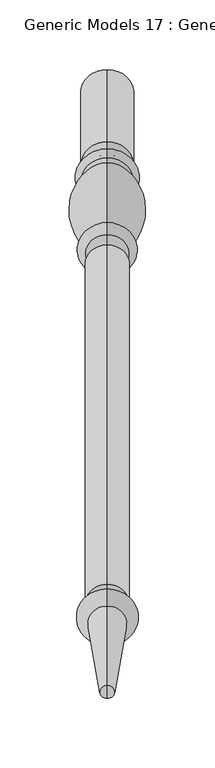
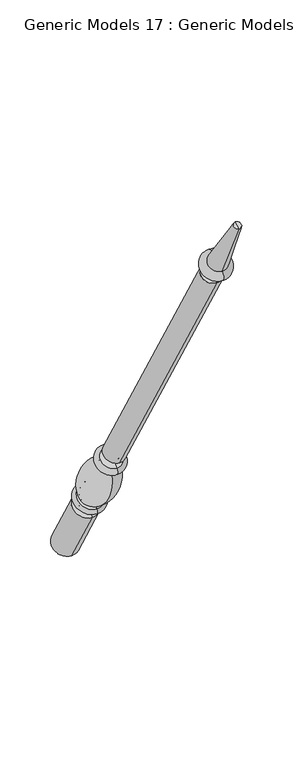
"""IFC4 building model written with IfcOpenShell, lengths in millimetres: proxy geometry, Generic Models 17 : Generic Models 2."""

from ifc_helpers import new_model, si_unit, point, frame, origin, place, context, project, spatial, polyline, circle_curve, ellipse_curve, trimmed, source, transform, mapped, element, save
from ifc_brep_helpers import plane_surface, cylinder_surface, revolved_surface, advanced_brep


def generic_models_17_generic_models_2_e23a2e77(model_context):
    return source(origin(), model_context, "Body", "AdvancedBrep", [
        advanced_brep(
        [(-451.2684498, 1861.1601077, 610.5814746), (-451.2684498, 1828.1645398, 591.5314746), (-451.2684498, 1880.0576333, 501.65), (-451.2684498, 1913.0532012, 520.7), (-451.2684498, 1853.6896456, 623.5206944), (-451.2684498, 1820.6940777, 604.4706944), (-451.2684498, 1849.5864045, 630.6277165), (-451.2684498, 1816.5908366, 611.5777165), (-451.2684498, 1845.9182158, 636.9812058), (-451.2684498, 1812.9226479, 617.9312058), (-451.2684498, 1801.1569262, 703.055156), (-451.2684498, 1778.0815733, 689.7325947), (-451.2684498, 1799.8610191, 710.4046105), (-451.2684498, 1772.3647125, 694.5296105), (-451.2684498, 1794.1590629, 720.2806883), (-451.2684498, 1766.6627563, 704.4056883), (-451.2684498, 1786.7732215, 733.0733408), (-451.2684498, 1759.276915, 717.1983408), (-451.2684498, 1542.2982215, 1156.516462), (-451.2684498, 1514.801915, 1140.641462), (-451.2684498, 1537.2251467, 1153.5875209), (-451.2684498, 1519.8749898, 1143.5704031), (-451.2684498, 1531.1910418, 1164.0388972), (-451.2684498, 1513.8408848, 1154.0217794), (-451.2684498, 1534.7597609, 1166.0992981), (-451.2684498, 1510.2721658, 1151.9613785), (-451.2684498, 1526.5847892, 1180.2587644), (-451.2684498, 1502.0971941, 1166.1208448), (-451.2684498, 1469.4852742, 1261.8053229), (-451.2684498, 1460.0255603, 1256.3437545), (-451.2684498, 1464.7554173, 1259.0745387), (-451.2684498, 1896.5554173, 511.175)],
        [
            (0, 1, circle_curve(frame((-451.2684498, 1844.6623237, 601.0564746), z_axis=(0.0, 0.5000000000000062, -0.8660254037844352), x_axis=(0.0, -0.8660254037844352, -0.5000000000000062)), 19.05)),
            (1, 2),
            (2, 3, circle_curve(frame((-451.2684498, 1896.5554173, 511.175), z_axis=(0.0, -0.5000000000000062, 0.8660254037844352), x_axis=(0.0, -0.8660254037844352, -0.5000000000000062)), 19.05)),
            (3, 0),
            (1, 0, circle_curve(frame((-451.2684498, 1844.6623237, 601.0564746), z_axis=(0.0, 0.5000000000000062, -0.8660254037844352), x_axis=(0.0, -0.8660254037844352, -0.5000000000000062)), 19.05)),
            (3, 2, circle_curve(frame((-451.2684498, 1896.5554173, 511.175), z_axis=(0.0, -0.5000000000000062, 0.8660254037844352), x_axis=(0.0, -0.8660254037844352, -0.5000000000000062)), 19.05)),
            (4, 5, circle_curve(frame((-451.2684498, 1837.1918617, 613.9956944), z_axis=(0.0, 0.5000000000000062, -0.8660254037844352), x_axis=(0.0, -0.8660254037844352, -0.5000000000000062)), 19.05)),
            (5, 1, circle_curve(frame((-451.2684498, 1821.8102989, 596.4889985), z_axis=(-1.0, 0.0, 0.0), x_axis=(0.0, 0.8660254037844352, 0.5000000000000062)), 8.0593685)),
            (0, 4, circle_curve(frame((-451.2684498, 1860.0438865, 618.5631706), z_axis=(-1.0, 0.0, 0.0), x_axis=(0.0, -0.8660254037844352, -0.5000000000000062)), 8.0593685)),
            (5, 4, circle_curve(frame((-451.2684498, 1837.1918617, 613.9956944), z_axis=(0.0, 0.5000000000000062, -0.8660254037844352), x_axis=(0.0, -0.8660254037844352, -0.5000000000000062)), 19.05)),
            (6, 7, circle_curve(frame((-451.2684498, 1833.0886205, 621.1027165), z_axis=(0.0, 0.5000000000000062, -0.8660254037844352), x_axis=(0.0, -0.8660254037844352, -0.5000000000000062)), 19.05)),
            (7, 5, circle_curve(frame((-451.2684498, 1818.6424572, 608.0242055), z_axis=(1.0, 0.0, 0.0), x_axis=(0.0, 0.8660254037844352, 0.5000000000000062)), 4.1032411)),
            (4, 6, circle_curve(frame((-451.2684498, 1851.638025, 627.0742055), z_axis=(1.0, 0.0, 0.0), x_axis=(0.0, -0.8660254037844352, -0.5000000000000062)), 4.1032411)),
            (7, 6, circle_curve(frame((-451.2684498, 1833.0886205, 621.1027165), z_axis=(0.0, 0.5000000000000062, -0.8660254037844352), x_axis=(0.0, -0.8660254037844352, -0.5000000000000062)), 19.05)),
            (8, 9, circle_curve(frame((-451.2684498, 1829.4204318, 627.4562058), z_axis=(0.0, 0.5000000000000062, -0.8660254037844352), x_axis=(0.0, -0.8660254037844352, -0.5000000000000062)), 19.05)),
            (9, 7, circle_curve(frame((-451.2684498, 1813.3633086, 613.9499618), z_axis=(-1.0, 0.0, 0.0), x_axis=(0.0, 0.8660254037844352, 0.5000000000000062)), 4.0055568)),
            (6, 8, circle_curve(frame((-451.2684498, 1849.1457438, 634.6089605), z_axis=(-1.0, 0.0, 0.0), x_axis=(0.0, -0.8660254037844352, -0.5000000000000062)), 4.0055568)),
            (9, 8, circle_curve(frame((-451.2684498, 1829.4204318, 627.4562058), z_axis=(0.0, 0.5000000000000062, -0.8660254037844352), x_axis=(0.0, -0.8660254037844352, -0.5000000000000062)), 19.05)),
            (10, 11, circle_curve(frame((-451.2684498, 1789.6192497, 696.3938754), z_axis=(0.0, 0.5000000000000062, -0.8660254037844352), x_axis=(0.0, -0.8660254037844352, -0.5000000000000062)), 13.3225612)),
            (11, 9, circle_curve(frame((-451.2684498, 1854.1299968, 682.2806335), z_axis=(1.0, 0.0, 0.0), x_axis=(0.0, 0.8660254037844352, 0.5000000000000062)), 76.412659)),
            (8, 10, circle_curve(frame((-451.2684498, 1769.5863022, 633.4693086), z_axis=(1.0, 0.0, 0.0), x_axis=(0.0, -0.8660254037844352, -0.5000000000000062)), 76.412659)),
            (11, 10, circle_curve(frame((-451.2684498, 1789.6192497, 696.3938754), z_axis=(0.0, 0.5000000000000062, -0.8660254037844352), x_axis=(0.0, -0.8660254037844352, -0.5000000000000062)), 13.3225612)),
            (12, 13, circle_curve(frame((-451.2684498, 1786.1128658, 702.4671105), z_axis=(0.0, 0.5000000000000062, -0.8660254037844352), x_axis=(0.0, -0.8660254037844352, -0.5000000000000062)), 15.875)),
            (13, 11, circle_curve(frame((-451.2684498, 1773.4069828, 689.9666873), z_axis=(-1.0, 0.0, 0.0), x_axis=(0.0, 0.8660254037844352, 0.5000000000000062)), 4.6804482)),
            (10, 12, circle_curve(frame((-451.2684498, 1803.2914914, 707.2205164), z_axis=(-1.0, 0.0, 0.0), x_axis=(0.0, -0.8660254037844352, -0.5000000000000062)), 4.6804482)),
            (13, 12, circle_curve(frame((-451.2684498, 1786.1128658, 702.4671105), z_axis=(0.0, 0.5000000000000062, -0.8660254037844352), x_axis=(0.0, -0.8660254037844352, -0.5000000000000062)), 15.875)),
            (14, 15, circle_curve(frame((-451.2684498, 1780.4109096, 712.3431883), z_axis=(0.0, 0.5000000000000062, -0.8660254037844352), x_axis=(0.0, -0.8660254037844352, -0.5000000000000062)), 15.875)),
            (15, 13, circle_curve(frame((-451.2684498, 1769.5137344, 699.4676494), z_axis=(1.0, 0.0, 0.0), x_axis=(0.0, 0.8660254037844352, 0.5000000000000062)), 5.7019562)),
            (12, 14, circle_curve(frame((-451.2684498, 1797.010041, 715.3426494), z_axis=(1.0, 0.0, 0.0), x_axis=(0.0, -0.8660254037844352, -0.5000000000000062)), 5.7019562)),
            (15, 14, circle_curve(frame((-451.2684498, 1780.4109096, 712.3431883), z_axis=(0.0, 0.5000000000000062, -0.8660254037844352), x_axis=(0.0, -0.8660254037844352, -0.5000000000000062)), 15.875)),
            (16, 17, circle_curve(frame((-451.2684498, 1773.0250683, 725.1358408), z_axis=(0.0, 0.5000000000000062, -0.8660254037844352), x_axis=(0.0, -0.8660254037844352, -0.5000000000000062)), 15.875)),
            (17, 15, circle_curve(frame((-451.2684498, 1762.9698356, 710.8020145), z_axis=(-1.0, 0.0, 0.0), x_axis=(0.0, 0.8660254037844352, 0.5000000000000062)), 7.3858413)),
            (14, 16, circle_curve(frame((-451.2684498, 1790.4661422, 726.6770145), z_axis=(-1.0, 0.0, 0.0), x_axis=(0.0, -0.8660254037844352, -0.5000000000000062)), 7.3858413)),
            (17, 16, circle_curve(frame((-451.2684498, 1773.0250683, 725.1358408), z_axis=(0.0, 0.5000000000000062, -0.8660254037844352), x_axis=(0.0, -0.8660254037844352, -0.5000000000000062)), 15.875)),
            (18, 19, circle_curve(frame((-451.2684498, 1528.5500683, 1148.578962), z_axis=(0.0, 0.5000000000000062, -0.8660254037844352), x_axis=(0.0, -0.8660254037844352, -0.5000000000000062)), 15.875)),
            (19, 17),
            (16, 18),
            (19, 18, circle_curve(frame((-451.2684498, 1528.5500683, 1148.578962), z_axis=(0.0, 0.5000000000000062, -0.8660254037844352), x_axis=(0.0, -0.8660254037844352, -0.5000000000000062)), 15.875)),
            (20, 21, circle_curve(frame((-451.2684498, 1528.5500683, 1148.578962), z_axis=(0.0, 0.5000000000000062, -0.8660254037844352), x_axis=(0.0, -0.8660254037844352, -0.5000000000000062)), 10.0171178)),
            (21, 19),
            (18, 20),
            (21, 20, circle_curve(frame((-451.2684498, 1528.5500683, 1148.578962), z_axis=(0.0, 0.5000000000000062, -0.8660254037844352), x_axis=(0.0, -0.8660254037844352, -0.5000000000000062)), 10.0171178)),
            (22, 23, circle_curve(frame((-451.2684498, 1522.5159633, 1159.0303383), z_axis=(0.0, 0.5000000000000062, -0.8660254037844352), x_axis=(0.0, -0.8660254037844352, -0.5000000000000062)), 10.0171178)),
            (23, 21, circle_curve(frame((-451.2684498, 1515.3020818, 1147.8978177), z_axis=(-1.0, 0.0, 0.0), x_axis=(0.0, 0.8660254037844352, 0.5000000000000062)), 6.295872)),
            (20, 22, circle_curve(frame((-451.2684498, 1535.7639497, 1159.7114826), z_axis=(-1.0, 0.0, 0.0), x_axis=(0.0, -0.8660254037844352, -0.5000000000000062)), 6.295872)),
            (23, 22, circle_curve(frame((-451.2684498, 1522.5159633, 1159.0303383), z_axis=(0.0, 0.5000000000000062, -0.8660254037844352), x_axis=(0.0, -0.8660254037844352, -0.5000000000000062)), 10.0171178)),
            (24, 25, circle_curve(frame((-451.2684498, 1522.5159633, 1159.0303383), z_axis=(0.0, 0.5000000000000062, -0.8660254037844352), x_axis=(0.0, -0.8660254037844352, -0.5000000000000062)), 14.1379196)),
            (25, 23),
            (22, 24),
            (25, 24, circle_curve(frame((-451.2684498, 1522.5159633, 1159.0303383), z_axis=(0.0, 0.5000000000000062, -0.8660254037844352), x_axis=(0.0, -0.8660254037844352, -0.5000000000000062)), 14.1379196)),
            (26, 27, circle_curve(frame((-451.2684498, 1514.3409916, 1173.1898046), z_axis=(0.0, 0.5000000000000062, -0.8660254037844352), x_axis=(0.0, -0.8660254037844352, -0.5000000000000062)), 14.1379196)),
            (27, 25, circle_curve(frame((-451.2684498, 1506.1846799, 1159.0411116), z_axis=(1.0, 0.0, 0.0), x_axis=(0.0, 0.8660254037844352, 0.5000000000000062)), 8.1749717)),
            (24, 26, circle_curve(frame((-451.2684498, 1530.672275, 1173.1790313), z_axis=(1.0, 0.0, 0.0), x_axis=(0.0, -0.8660254037844352, -0.5000000000000062)), 8.1749717)),
            (27, 26, circle_curve(frame((-451.2684498, 1514.3409916, 1173.1898046), z_axis=(0.0, 0.5000000000000062, -0.8660254037844352), x_axis=(0.0, -0.8660254037844352, -0.5000000000000062)), 14.1379196)),
            (28, 29, circle_curve(frame((-451.2684498, 1464.7554173, 1259.0745387), z_axis=(0.0, 0.5000000000000062, -0.8660254037844352), x_axis=(0.0, -0.8660254037844352, -0.5000000000000062)), 5.4615684)),
            (29, 27),
            (26, 28),
            (29, 28, circle_curve(frame((-451.2684498, 1464.7554173, 1259.0745387), z_axis=(0.0, 0.5000000000000062, -0.8660254037844352), x_axis=(0.0, -0.8660254037844352, -0.5000000000000062)), 5.4615684)),
            (30, 29),
            (28, 30),
            (2, 31),
            (31, 3),
        ],
        [
            cylinder_surface(frame((-451.2684498, 1464.7554173, 1259.0745387), z_axis=(0.0, -0.5000000000000062, 0.8660254037844352), x_axis=(0.0, -0.8660254037844352, -0.5000000000000062)), 19.05),
            revolved_surface(trimmed(ellipse_curve(frame((-451.2684498, 1821.8102989, 596.4889985), z_axis=(1.0, 0.0, 0.0), x_axis=(0.0, 0.8660254037844352, 0.5000000000000062)), 8.0593685, 8.0593685), [point((-451.2684498, 1828.1645398, 591.5314746))], [point((-451.2684498, 1820.6940777, 604.4706944))], True, "CARTESIAN"), (-451.2684498, 1464.7554173, 1259.0745387), (0.0, -0.5000000000000062, 0.8660254037844352)),
            revolved_surface(trimmed(ellipse_curve(frame((-451.2684498, 1818.6424572, 608.0242055), z_axis=(-1.0, 0.0, 0.0), x_axis=(0.0, 0.8660254037844352, 0.5000000000000062)), 4.1032411, 4.1032411), [point((-451.2684498, 1820.6940777, 604.4706944))], [point((-451.2684498, 1816.5908366, 611.5777165))], True, "CARTESIAN"), (-451.2684498, 1464.7554173, 1259.0745387), (0.0, -0.5000000000000062, 0.8660254037844352)),
            revolved_surface(trimmed(ellipse_curve(frame((-451.2684498, 1813.3633086, 613.9499618), z_axis=(1.0, 0.0, 0.0), x_axis=(0.0, 0.8660254037844352, 0.5000000000000062)), 4.0055568, 4.0055568), [point((-451.2684498, 1816.5908366, 611.5777165))], [point((-451.2684498, 1812.9226479, 617.9312058))], True, "CARTESIAN"), (-451.2684498, 1464.7554173, 1259.0745387), (0.0, -0.5000000000000062, 0.8660254037844352)),
            revolved_surface(trimmed(ellipse_curve(frame((-451.2684498, 1854.1299968, 682.2806335), z_axis=(-1.0, 0.0, 0.0), x_axis=(0.0, 0.8660254037844352, 0.5000000000000062)), 76.412659, 76.412659), [point((-451.2684498, 1812.9226479, 617.9312058))], [point((-451.2684498, 1778.0815733, 689.7325947))], True, "CARTESIAN"), (-451.2684498, 1464.7554173, 1259.0745387), (0.0, -0.5000000000000062, 0.8660254037844352)),
            revolved_surface(trimmed(ellipse_curve(frame((-451.2684498, 1773.4069828, 689.9666873), z_axis=(1.0, 0.0, 0.0), x_axis=(0.0, 0.8660254037844352, 0.5000000000000062)), 4.6804482, 4.6804482), [point((-451.2684498, 1778.0815733, 689.7325947))], [point((-451.2684498, 1772.3647125, 694.5296105))], True, "CARTESIAN"), (-451.2684498, 1464.7554173, 1259.0745387), (0.0, -0.5000000000000062, 0.8660254037844352)),
            revolved_surface(trimmed(ellipse_curve(frame((-451.2684498, 1769.5137344, 699.4676494), z_axis=(-1.0, 0.0, 0.0), x_axis=(0.0, 0.8660254037844352, 0.5000000000000062)), 5.7019562, 5.7019562), [point((-451.2684498, 1772.3647125, 694.5296105))], [point((-451.2684498, 1766.6627563, 704.4056883))], True, "CARTESIAN"), (-451.2684498, 1464.7554173, 1259.0745387), (0.0, -0.5000000000000062, 0.8660254037844352)),
            revolved_surface(trimmed(ellipse_curve(frame((-451.2684498, 1762.9698356, 710.8020145), z_axis=(1.0, 0.0, 0.0), x_axis=(0.0, 0.8660254037844352, 0.5000000000000062)), 7.3858413, 7.3858413), [point((-451.2684498, 1766.6627563, 704.4056883))], [point((-451.2684498, 1759.276915, 717.1983408))], True, "CARTESIAN"), (-451.2684498, 1464.7554173, 1259.0745387), (0.0, -0.5000000000000062, 0.8660254037844352)),
            cylinder_surface(frame((-451.2684498, 1464.7554173, 1259.0745387), z_axis=(0.0, -0.5000000000000062, 0.8660254037844352), x_axis=(0.0, -0.8660254037844352, -0.5000000000000062)), 15.875),
            plane_surface(frame((-451.2684498, 1528.5500683, 1148.578962), z_axis=(0.0, -0.5000000000000062, 0.8660254037844352), x_axis=(0.0, -0.8660254037844352, -0.5000000000000062))),
            revolved_surface(trimmed(ellipse_curve(frame((-451.2684498, 1515.3020818, 1147.8978177), z_axis=(1.0, 0.0, 0.0), x_axis=(0.0, 0.8660254037844352, 0.5000000000000062)), 6.295872, 6.295872), [point((-451.2684498, 1519.8749898, 1143.5704031))], [point((-451.2684498, 1513.8408848, 1154.0217794))], True, "CARTESIAN"), (-451.2684498, 1464.7554173, 1259.0745387), (0.0, -0.5000000000000062, 0.8660254037844352)),
            plane_surface(frame((-451.2684498, 1522.5159633, 1159.0303383), z_axis=(0.0, 0.5000000000000062, -0.8660254037844352), x_axis=(0.0, -0.8660254037844352, -0.5000000000000062))),
            revolved_surface(trimmed(ellipse_curve(frame((-451.2684498, 1506.1846799, 1159.0411116), z_axis=(-1.0, 0.0, 0.0), x_axis=(0.0, 0.8660254037844352, 0.5000000000000062)), 8.1749717, 8.1749717), [point((-451.2684498, 1510.2721658, 1151.9613785))], [point((-451.2684498, 1502.0971941, 1166.1208448))], True, "CARTESIAN"), (-451.2684498, 1464.7554173, 1259.0745387), (0.0, -0.5000000000000062, 0.8660254037844352)),
            revolved_surface(polyline([(-451.2684498, 1502.0971941, 1166.1208448), (-451.2684498, 1460.0255603, 1256.3437545)]), (-451.2684498, 1464.7554173, 1259.0745387), (0.0, -0.5000000000000062, 0.8660254037844352)),
            plane_surface(frame((-451.2684498, 1464.7554173, 1259.0745387), z_axis=(0.0, -0.5000000000000062, 0.8660254037844352), x_axis=(0.0, -0.8660254037844352, -0.5000000000000062))),
            plane_surface(frame((-451.2684498, 1896.5554173, 511.175), z_axis=(0.0, 0.5000000000000062, -0.8660254037844352), x_axis=(0.0, -0.8660254037844352, -0.5000000000000062))),
        ],
        [
            (0, [[1, 2, 3, 4]]),
            (0, [[5, -4, 6, -2]]),
            (1, [[7, 8, -1, 9]]),
            (1, [[10, -9, -5, -8]]),
            (2, [[11, 12, -7, 13]]),
            (2, [[14, -13, -10, -12]]),
            (3, [[15, 16, -11, 17]]),
            (3, [[18, -17, -14, -16]]),
            (4, [[19, 20, -15, 21]]),
            (4, [[22, -21, -18, -20]]),
            (5, [[23, 24, -19, 25]]),
            (5, [[26, -25, -22, -24]]),
            (6, [[27, 28, -23, 29]]),
            (6, [[30, -29, -26, -28]]),
            (7, [[31, 32, -27, 33]]),
            (7, [[34, -33, -30, -32]]),
            (8, [[35, 36, -31, 37]]),
            (8, [[38, -37, -34, -36]]),
            (9, [[39, 40, -35, 41]]),
            (9, [[42, -41, -38, -40]]),
            (10, [[43, 44, -39, 45]]),
            (10, [[46, -45, -42, -44]]),
            (11, [[47, 48, -43, 49]]),
            (11, [[50, -49, -46, -48]]),
            (12, [[51, 52, -47, 53]]),
            (12, [[54, -53, -50, -52]]),
            (13, [[55, 56, -51, 57]]),
            (13, [[58, -57, -54, -56]]),
            (14, [[59, -55, 60]]),
            (14, [[-60, -58, -59]]),
            (15, [[-3, 61, 62]]),
            (15, [[-6, -62, -61]]),
        ],
    ),
    ])


if __name__ == "__main__":
    model = new_model("IFC4")
    model_context = context("Model", 3, world=origin())
    ifc_project = project(units=[si_unit("LENGTHUNIT", "METRE", prefix="MILLI")], contexts=[model_context])
    site = spatial("IfcSite", under=ifc_project)
    building = spatial("IfcBuilding", under=site)
    placement = place(None, origin())
    generic_models_17_generic_models_2_shape = generic_models_17_generic_models_2_e23a2e77(model_context)
    element("IfcBuildingElementProxy", 1, Name="Generic Models 17 : Generic Models 2", ObjectType="Generic Models 17 : Generic Models 2", at=placement, inside=building, context=model_context, shape_type="MappedRepresentation", body=[
        mapped(generic_models_17_generic_models_2_shape, transform((0.0, 0.0, 0.0), x_axis=(1.0, 0.0, 0.0), y_axis=(0.0, 1.0, 0.0), z_axis=(0.0, 0.0, 1.0))),
    ])
    save(model, "model.ifc")
